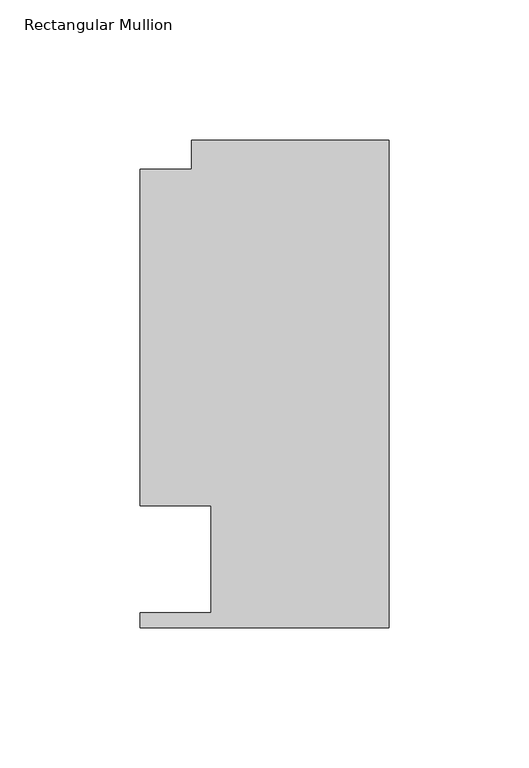
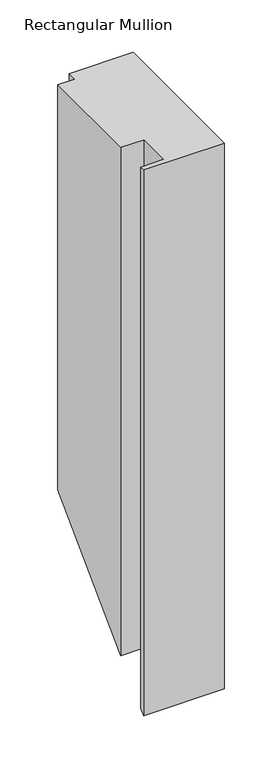
"""IFC4 building model written with IfcOpenShell, lengths in millimetres: member geometry, Rectangular Mullion."""

from ifc_helpers import new_model, si_unit, origin, place, context, project, spatial, faceted_brep, source, transform, mapped, element, save


def rectangular_mullion_86b51532(model_context):
    return source(origin(), model_context, "Body", "Brep", [
        faceted_brep([(-88.9131928, 151.892, 0.0), (-88.9131928, 31.75, 0.0), (-63.5131928, 31.75, 0.0), (-63.5131928, -6.35, 0.0), (-88.9131928, -6.35, 0.0), (-88.9131928, -11.684, 0.0), (0.0, -11.684, 0.0), (0.0, 162.3059961, 0.0), (-70.395709, 162.3059961, 0.0), (-70.395709, 151.892, 0.0), (-88.9131928, 151.892, -471.4042875), (-88.9131928, 31.75, -591.5462875), (-63.5131928, 31.75, -591.5462875), (-63.5131928, -6.35, -629.6462875), (-88.9131928, -6.35, -629.6462875), (-88.9131928, -11.684, -634.9802875), (0.0, -11.684, -634.9802875), (0.0, 162.3059961, -460.9902913), (-70.395709, 162.3059961, -460.9902913), (-70.395709, 151.892, -471.4042875)], [[[0, 1, 2, 3, 4, 5, 6, 7, 8, 9]], [[1, 0, 10, 11]], [[2, 1, 11, 12]], [[3, 2, 12, 13]], [[4, 3, 13, 14]], [[5, 4, 14, 15]], [[6, 5, 15, 16]], [[7, 6, 16, 17]], [[8, 7, 17, 18]], [[9, 8, 18, 19]], [[0, 9, 19, 10]], [[10, 19, 18, 17, 16, 15, 14, 13, 12, 11]]]),
    ])


if __name__ == "__main__":
    model = new_model("IFC4")
    model_context = context("Model", 3, world=origin())
    ifc_project = project(units=[si_unit("LENGTHUNIT", "METRE", prefix="MILLI")], contexts=[model_context])
    site = spatial("IfcSite", under=ifc_project)
    building = spatial("IfcBuilding", under=site)
    placement = place(None, origin())
    rectangular_mullion_shape = rectangular_mullion_86b51532(model_context)
    element("IfcMember", 1, ObjectType="Rectangular Mullion", at=placement, inside=building, context=model_context, shape_type="MappedRepresentation", body=[
        mapped(rectangular_mullion_shape, transform((0.0, 0.0, 0.0), x_axis=(1.0, 0.0, 0.0), y_axis=(0.0, 1.0, 0.0), z_axis=(0.0, 0.0, 1.0))),
    ])
    save(model, "model.ifc")
